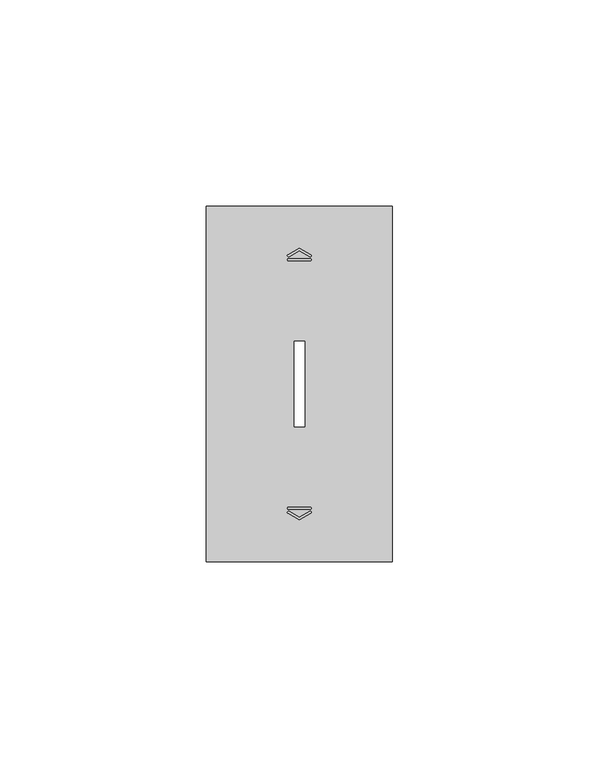
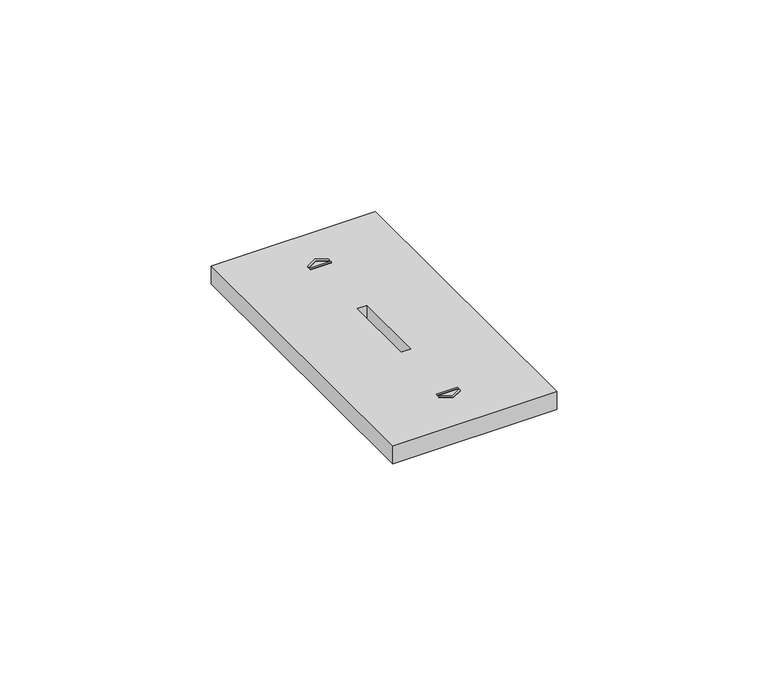
"""IFC4 building model written with IfcOpenShell, lengths in millimetres: proxy geometry."""

from ifc_helpers import new_model, si_unit, point, frame, frame_2d, origin, place, context, project, spatial, polyline, circle_curve, trimmed, segment, composite_curve, outline, extrude, source, transform, mapped, element, save


def electrical_fixtures_d654a346(model_context):
    return source(origin(), model_context, "Body", "SweptSolid", [
        extrude(outline(composite_curve([segment(polyline([(19.7592079, 74.3175033), (22.5, 75.8674578), (25.2407962, 74.3175011)]), True, "CONTINUOUS"), segment(trimmed(circle_curve(frame_2d((25.108088, 74.0828325)), 0.2695938), [point((25.2407962, 74.3175011))], [point((24.9753797, 73.8481639))], False, "CARTESIAN"), True, "CONTINUOUS"), segment(polyline([(24.9753797, 73.8481639), (22.5, 75.2480241), (20.0246243, 73.8481662)]), True, "CONTINUOUS"), segment(trimmed(circle_curve(frame_2d((19.8919161, 74.0828348)), 0.2695938), [point((20.0246243, 73.8481662))], [point((19.7592079, 74.3175033))], False, "CARTESIAN"), True, "CONTINUOUS")], self_intersect=False)), frame((0.0, 0.0, 10.7), z_axis=(0.0, 0.0, 1.0), x_axis=(1.0, 0.0, 0.0)), (0.0, 0.0, 1.0), 0.1652311),
        extrude(outline(composite_curve([segment(polyline([(19.8716743, 73.3261218), (25.1283298, 73.3261218)]), True, "CONTINUOUS"), segment(trimmed(circle_curve(frame_2d((25.1283298, 73.0767698)), 0.249352), [point((25.1283298, 73.3261218))], [point((25.1283298, 72.8274179))], False, "CARTESIAN"), True, "CONTINUOUS"), segment(polyline([(25.1283298, 72.8274179), (19.8716743, 72.8274179)]), True, "CONTINUOUS"), segment(trimmed(circle_curve(frame_2d((19.8716743, 73.0767698)), 0.249352), [point((19.8716743, 72.8274179))], [point((19.8716743, 73.3261218))], False, "CARTESIAN"), True, "CONTINUOUS")], self_intersect=False)), frame((0.0, 0.0, 10.7), z_axis=(0.0, 0.0, 1.0), x_axis=(1.0, 0.0, 0.0)), (0.0, 0.0, 1.0), 0.1652311),
        extrude(outline(composite_curve([segment(trimmed(circle_curve(frame_2d((19.8919161, 11.9171652)), 0.2695938), [point((19.7592079, 11.6824967))], [point((20.0246243, 12.1518338))], False, "CARTESIAN"), True, "CONTINUOUS"), segment(polyline([(20.0246243, 12.1518338), (22.5, 10.7519759), (24.9753797, 12.1518361)]), True, "CONTINUOUS"), segment(trimmed(circle_curve(frame_2d((25.108088, 11.9171675)), 0.2695938), [point((24.9753797, 12.1518361))], [point((25.2407962, 11.6824989))], False, "CARTESIAN"), True, "CONTINUOUS"), segment(polyline([(25.2407962, 11.6824989), (22.5, 10.1325422), (19.7592079, 11.6824967)]), True, "CONTINUOUS")], self_intersect=False)), frame((0.0, 0.0, 10.7), z_axis=(0.0, 0.0, 1.0), x_axis=(1.0, 0.0, 0.0)), (0.0, 0.0, 1.0), 0.1652311),
        extrude(outline(composite_curve([segment(trimmed(circle_curve(frame_2d((19.8716743, 12.9232302)), 0.249352), [point((19.8716743, 12.6738782))], [point((19.8716743, 13.1725821))], False, "CARTESIAN"), True, "CONTINUOUS"), segment(polyline([(19.8716743, 13.1725821), (25.1283298, 13.1725821)]), True, "CONTINUOUS"), segment(trimmed(circle_curve(frame_2d((25.1283298, 12.9232302)), 0.249352), [point((25.1283298, 13.1725821))], [point((25.1283298, 12.6738782))], False, "CARTESIAN"), True, "CONTINUOUS"), segment(polyline([(25.1283298, 12.6738782), (19.8716743, 12.6738782)]), True, "CONTINUOUS")], self_intersect=False)), frame((0.0, 0.0, 10.7), z_axis=(0.0, 0.0, 1.0), x_axis=(1.0, 0.0, 0.0)), (0.0, 0.0, 1.0), 0.1652311),
        extrude(outline(polyline([(0.0, 0.0), (0.0, 86.0), (45.0, 86.0), (45.0, 0.0), (0.0, 0.0)]), holes=[polyline([(21.25, 53.4), (21.25, 32.6), (23.75, 32.6), (23.75, 53.4), (21.25, 53.4)])]), frame((0.0, 0.0, 5.5), z_axis=(0.0, 0.0, 1.0), x_axis=(1.0, 0.0, 0.0)), (0.0, 0.0, 1.0), 5.2),
    ])


if __name__ == "__main__":
    model = new_model("IFC4")
    model_context = context("Model", 3, world=origin())
    ifc_project = project(units=[si_unit("LENGTHUNIT", "METRE", prefix="MILLI")], contexts=[model_context])
    site = spatial("IfcSite", under=ifc_project)
    building = spatial("IfcBuilding", under=site)
    placement = place(None, origin())
    electrical_fixtures_shape = electrical_fixtures_d654a346(model_context)
    element("IfcBuildingElementProxy", 1, Name="Electrical Fixtures", at=placement, inside=building, context=model_context, shape_type="MappedRepresentation", body=[
        mapped(electrical_fixtures_shape, transform((0.0, 0.0, 0.0), x_axis=(1.0, 0.0, 0.0), y_axis=(0.0, 1.0, 0.0), z_axis=(0.0, 0.0, 1.0))),
    ])
    save(model, "model.ifc")
